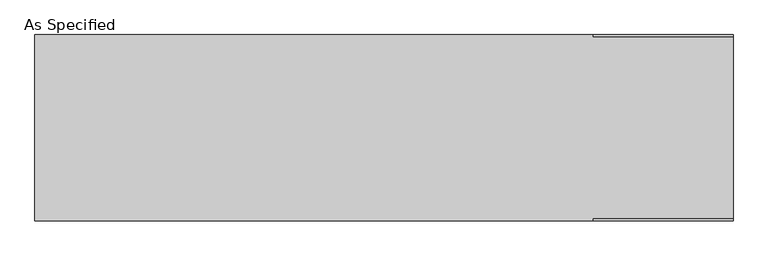
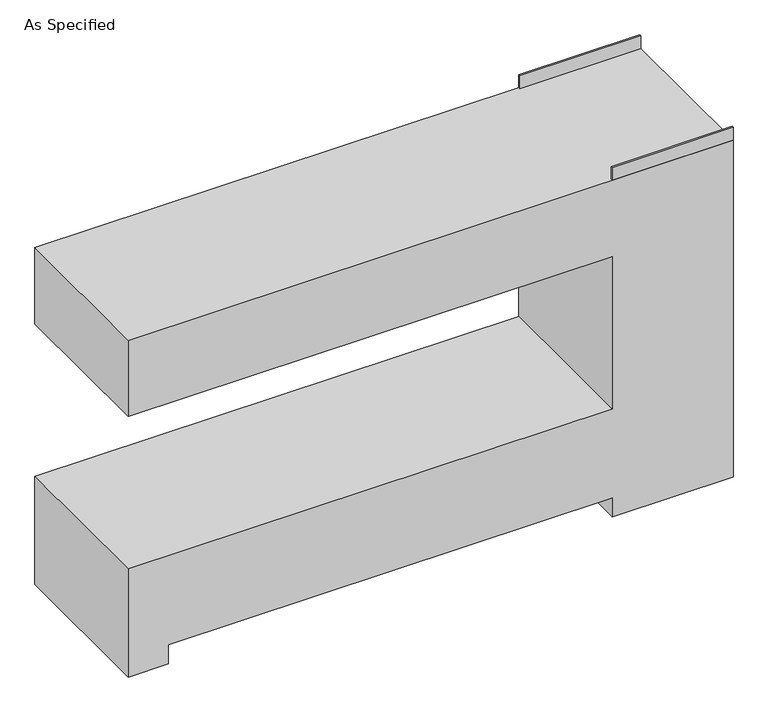
"""IFC4 building model written with IfcOpenShell, lengths in millimetres: proxy geometry, As Specified."""

from ifc_helpers import new_model, si_unit, frame, origin, place, context, project, spatial, polyline, outline, extrude, source, transform, mapped, element, save


def as_specified_67d66c62(model_context):
    return source(origin(), model_context, "Body", "SweptSolid", [
        extrude(outline(polyline([(685.8, -304.8), (685.8, -298.45), (1143.0, -298.45), (1143.0, -304.8), (685.8, -304.8)])), frame((0.0, 0.0, 1346.2), z_axis=(0.0, 0.0, 1.0), x_axis=(1.0, 0.0, 0.0)), (0.0, 0.0, 1.0), 50.8),
        extrude(outline(polyline([(685.8, 298.45), (685.8, 304.8), (1143.0, 304.8), (1143.0, 298.45), (685.8, 298.45)])), frame((0.0, 0.0, 1346.2), z_axis=(0.0, 0.0, 1.0), x_axis=(1.0, 0.0, 0.0)), (0.0, 0.0, 1.0), 50.8),
        extrude(outline(polyline([(1346.2, 1143.0), (1346.2, -1143.0), (1041.4, -1143.0), (1041.4, 685.8), (431.8, 685.8), (431.8, -1143.0), (0.0, -1143.0), (0.0, -990.6), (76.2, -990.6), (76.2, 685.8), (0.0, 685.8), (0.0, 1143.0), (1346.2, 1143.0)])), frame((0.0, -304.8, 0.0), z_axis=(0.0, 1.0, 0.0), x_axis=(0.0, 0.0, 1.0)), (0.0, 0.0, 1.0), 609.6),
    ])


if __name__ == "__main__":
    model = new_model("IFC4")
    model_context = context("Model", 3, world=origin())
    ifc_project = project(units=[si_unit("LENGTHUNIT", "METRE", prefix="MILLI")], contexts=[model_context])
    site = spatial("IfcSite", under=ifc_project)
    building = spatial("IfcBuilding", under=site)
    placement = place(None, origin())
    as_specified_shape = as_specified_67d66c62(model_context)
    element("IfcBuildingElementProxy", 1, Name="As Specified", ObjectType="As Specified", at=placement, inside=building, context=model_context, shape_type="MappedRepresentation", body=[
        mapped(as_specified_shape, transform((0.0, 0.0, 0.0), x_axis=(1.0, 0.0, 0.0), y_axis=(0.0, 1.0, 0.0), z_axis=(0.0, 0.0, 1.0))),
    ])
    save(model, "model.ifc")
